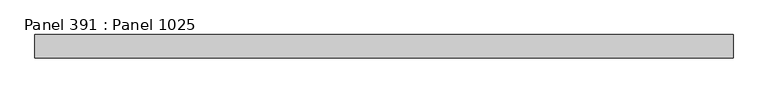
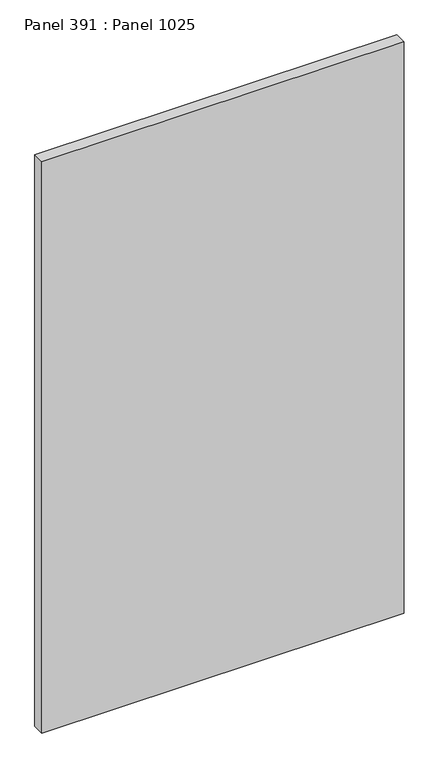
"""IFC4 building model written with IfcOpenShell, lengths in millimetres: proxy geometry, Panel 391 : Panel 1025."""

from ifc_helpers import new_model, si_unit, frame, origin, place, context, project, spatial, polyline, outline, extrude, source, transform, mapped, element, save


def panel_391_panel_1025_3ec6eae7(model_context):
    return source(origin(), model_context, "Body", "SweptSolid", [
        extrude(outline(polyline([(33967.4761071, 344155.7855055), (35467.476678, 344155.7854516), (35467.4766773, 344105.7854094), (33967.4761075, 344105.7854634), (33967.4761071, 344155.7855055)])), frame((0.0, 0.0, 34575.0), z_axis=(0.0, 0.0, 1.0), x_axis=(1.0, 0.0, 0.0)), (0.0, 0.0, 1.0), 2500.0),
    ])


if __name__ == "__main__":
    model = new_model("IFC4")
    model_context = context("Model", 3, world=origin())
    ifc_project = project(units=[si_unit("LENGTHUNIT", "METRE", prefix="MILLI")], contexts=[model_context])
    site = spatial("IfcSite", under=ifc_project)
    building = spatial("IfcBuilding", under=site)
    placement = place(None, origin())
    panel_391_panel_1025_shape = panel_391_panel_1025_3ec6eae7(model_context)
    element("IfcBuildingElementProxy", 1, Name="Panel 391 : Panel 1025", ObjectType="Panel 391 : Panel 1025", at=placement, inside=building, context=model_context, shape_type="MappedRepresentation", body=[
        mapped(panel_391_panel_1025_shape, transform((0.0, 0.0, 0.0), x_axis=(1.0, 0.0, 0.0), y_axis=(0.0, 1.0, 0.0), z_axis=(0.0, 0.0, 1.0))),
    ])
    save(model, "model.ifc")
